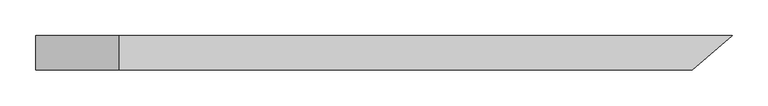
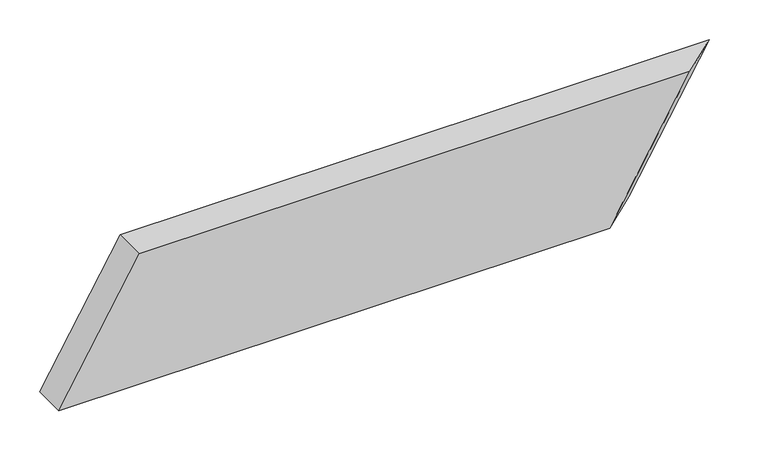
"""IFC4 building model written with IfcOpenShell, lengths in millimetres: beam geometry."""

from ifc_helpers import new_model, si_unit, origin, place, context, project, spatial, faceted_brep, source, transform, mapped, element, save


def beam_61a6b09d(model_context):
    return source(origin(), model_context, "Body", "Brep", [
        faceted_brep([(443.9168133, -24.0, 100.0), (-355.0350346, -24.0, 100.0), (-471.7017012, -24.0, -100.0), (327.2501466, -24.0, -100.0), (499.4865892, 24.0, 100.0), (382.8199226, 24.0, -100.0), (-471.7017012, 24.0, -100.0), (-355.0350346, 24.0, 100.0)], [[[0, 1, 2, 3]], [[4, 5, 6, 7]], [[5, 4, 0, 3]], [[6, 5, 3, 2]], [[7, 6, 2, 1]], [[4, 7, 1, 0]]]),
    ])


if __name__ == "__main__":
    model = new_model("IFC4")
    model_context = context("Model", 3, world=origin())
    ifc_project = project(units=[si_unit("LENGTHUNIT", "METRE", prefix="MILLI")], contexts=[model_context])
    site = spatial("IfcSite", under=ifc_project)
    building = spatial("IfcBuilding", under=site)
    placement = place(None, origin())
    beam_shape = beam_61a6b09d(model_context)
    element("IfcBeam", 1, at=placement, inside=building, context=model_context, shape_type="MappedRepresentation", body=[
        mapped(beam_shape, transform((0.0, 0.0, 0.0), x_axis=(1.0, 0.0, 0.0), y_axis=(0.0, 1.0, 0.0), z_axis=(0.0, 0.0, 1.0))),
    ])
    save(model, "model.ifc")
